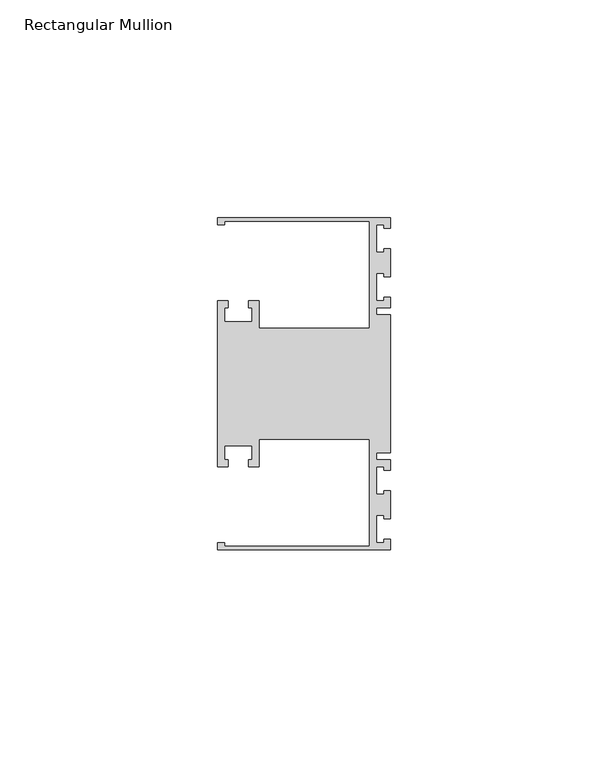
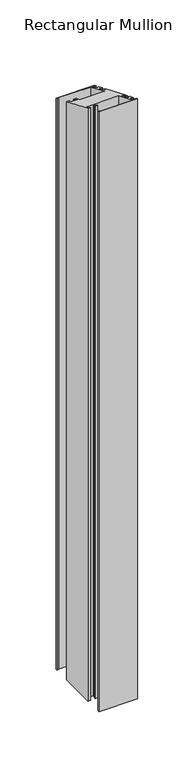
"""IFC4 building model written with IfcOpenShell, lengths in millimetres: member geometry, Rectangular Mullion."""

from ifc_helpers import new_model, si_unit, origin, place, context, project, spatial, faceted_brep, source, transform, mapped, element, save


def rectangular_mullion_9dc67ffa(model_context):
    return source(origin(), model_context, "Body", "Brep", [
        faceted_brep([(0.0, 38.1, -635.0), (0.0, 35.71875, -635.0), (-1.4999946, 35.71875, -635.0), (-1.4999946, 36.5125, -635.0), (-3.175, 36.5125, -635.0), (-3.175, 30.1625, -635.0), (-1.4999946, 30.1625, -635.0), (-1.4999946, 30.95625, -635.0), (0.0, 30.95625, -635.0), (0.0, 24.60625, -635.0), (-1.4999946, 24.60625, -635.0), (-1.4999946, 25.4, -635.0), (-3.175, 25.4, -635.0), (-3.175, 19.05, -635.0), (-1.4999946, 19.05, -635.0), (-1.4999946, 19.84375, -635.0), (0.0, 19.84375, -635.0), (0.0, 17.4625, -635.0), (-3.175, 17.4625, -635.0), (-3.175, 15.875, -635.0), (0.0, 15.875, -635.0), (0.0, -15.875, -635.0), (-3.175, -15.875, -635.0), (-3.175, -17.4625, -635.0), (0.0, -17.4625, -635.0), (0.0, -19.84375, -635.0), (-1.4999946, -19.84375, -635.0), (-1.4999946, -19.05, -635.0), (-3.175, -19.05, -635.0), (-3.175, -25.4, -635.0), (-1.4999946, -25.4, -635.0), (-1.4999946, -24.60625, -635.0), (0.0, -24.60625, -635.0), (0.0, -30.95625, -635.0), (-1.4999946, -30.95625, -635.0), (-1.4999946, -30.1625, -635.0), (-3.175, -30.1625, -635.0), (-3.175, -36.5125, -635.0), (-1.4999946, -36.5125, -635.0), (-1.4999946, -35.71875, -635.0), (0.0, -35.71875, -635.0), (0.0, -38.1, -635.0), (-39.6875, -38.1, -635.0), (-39.6875, -36.5125, -635.0), (-38.1, -36.5125, -635.0), (-38.1, -37.30625, -635.0), (-4.7625, -37.30625, -635.0), (-4.7625, -12.7, -635.0), (-30.1625, -12.7, -635.0), (-30.1625, -19.05, -635.0), (-32.54375, -19.05, -635.0), (-32.54375, -17.4625, -635.0), (-31.75, -17.4625, -635.0), (-31.75, -14.2875, -635.0), (-38.1, -14.2875, -635.0), (-38.1, -17.4625, -635.0), (-37.30625, -17.4625, -635.0), (-37.30625, -19.05, -635.0), (-39.6875, -19.05, -635.0), (-39.6875, 19.05, -635.0), (-37.30625, 19.05, -635.0), (-37.30625, 17.4625, -635.0), (-38.1, 17.4625, -635.0), (-38.1, 14.2875, -635.0), (-31.75, 14.2875, -635.0), (-31.75, 17.4625, -635.0), (-32.54375, 17.4625, -635.0), (-32.54375, 19.05, -635.0), (-30.1625, 19.05, -635.0), (-30.1625, 12.7, -635.0), (-4.7625, 12.7, -635.0), (-4.7625, 37.30625, -635.0), (-38.1, 37.30625, -635.0), (-38.1, 36.5125, -635.0), (-39.6875, 36.5125, -635.0), (-39.6875, 38.1, -635.0), (-39.6875, 38.1, -15.7815367), (0.0, 38.1, -15.7815367), (-39.6875, 36.5125, -15.1239727), (-38.1, 36.5125, -15.1239727), (-38.1, 37.30625, -15.4527547), (-4.7625, 37.30625, -15.4527547), (-4.7625, 12.7, -5.2605122), (-30.1625, 12.7, -5.2605122), (-30.1625, 19.05, -7.8907684), (-32.54375, 19.05, -7.8907684), (-32.54375, 17.4625, -7.2332043), (-31.75, 17.4625, -7.2332043), (-31.75, 14.2875, -5.9180763), (-38.1, 14.2875, -5.9180763), (-38.1, 17.4625, -7.2332043), (-37.30625, 17.4625, -7.2332043), (-37.30625, 19.05, -7.8907684), (-39.6875, 19.05, -7.8907684), (-39.6875, -19.05, 7.8907684), (-37.30625, -19.05, 7.8907684), (-37.30625, -17.4625, 7.2332043), (-38.1, -17.4625, 7.2332043), (-38.1, -14.2875, 5.9180763), (-31.75, -14.2875, 5.9180763), (-31.75, -17.4625, 7.2332043), (-32.54375, -17.4625, 7.2332043), (-32.54375, -19.05, 7.8907684), (-30.1625, -19.05, 7.8907684), (-30.1625, -12.7, 5.2605122), (-4.7625, -12.7, 5.2605122), (-4.7625, -37.30625, 15.4527547), (-38.1, -37.30625, 15.4527547), (-38.1, -36.5125, 15.1239727), (-39.6875, -36.5125, 15.1239727), (-39.6875, -38.1, 15.7815367), (0.0, -38.1, 15.7815367), (0.0, -35.71875, 14.7951907), (-1.4999946, -35.71875, 14.7951907), (-1.4999946, -36.5125, 15.1239727), (-3.175, -36.5125, 15.1239727), (-3.175, -30.1625, 12.4937166), (-1.4999946, -30.1625, 12.4937166), (-1.4999946, -30.95625, 12.8224986), (0.0, -30.95625, 12.8224986), (0.0, -24.60625, 10.1922425), (-1.4999946, -24.60625, 10.1922425), (-1.4999946, -25.4, 10.5210245), (-3.175, -25.4, 10.5210245), (-3.175, -19.05, 7.8907684), (-1.4999946, -19.05, 7.8907684), (-1.4999946, -19.84375, 8.2195504), (0.0, -19.84375, 8.2195504), (0.0, -17.4625, 7.2332043), (-3.175, -17.4625, 7.2332043), (-3.175, -15.875, 6.5756403), (0.0, -15.875, 6.5756403), (0.0, 15.875, -6.5756403), (-3.175, 15.875, -6.5756403), (-3.175, 17.4625, -7.2332043), (0.0, 17.4625, -7.2332043), (0.0, 19.84375, -8.2195504), (-1.4999946, 19.84375, -8.2195504), (-1.4999946, 19.05, -7.8907684), (-3.175, 19.05, -7.8907684), (-3.175, 25.4, -10.5210245), (-1.4999946, 25.4, -10.5210245), (-1.4999946, 24.60625, -10.1922425), (0.0, 24.60625, -10.1922425), (0.0, 30.95625, -12.8224986), (-1.4999946, 30.95625, -12.8224986), (-1.4999946, 30.1625, -12.4937166), (-3.175, 30.1625, -12.4937166), (-3.175, 36.5125, -15.1239727), (-1.4999946, 36.5125, -15.1239727), (-1.4999946, 35.71875, -14.7951907), (0.0, 35.71875, -14.7951907)], [[[0, 1, 2, 3, 4, 5, 6, 7, 8, 9, 10, 11, 12, 13, 14, 15, 16, 17, 18, 19, 20, 21, 22, 23, 24, 25, 26, 27, 28, 29, 30, 31, 32, 33, 34, 35, 36, 37, 38, 39, 40, 41, 42, 43, 44, 45, 46, 47, 48, 49, 50, 51, 52, 53, 54, 55, 56, 57, 58, 59, 60, 61, 62, 63, 64, 65, 66, 67, 68, 69, 70, 71, 72, 73, 74, 75]], [[76, 77, 0, 75]], [[78, 76, 75, 74]], [[79, 78, 74, 73]], [[80, 79, 73, 72]], [[81, 80, 72, 71]], [[82, 81, 71, 70]], [[83, 82, 70, 69]], [[84, 83, 69, 68]], [[85, 84, 68, 67]], [[86, 85, 67, 66]], [[87, 86, 66, 65]], [[88, 87, 65, 64]], [[89, 88, 64, 63]], [[90, 89, 63, 62]], [[91, 90, 62, 61]], [[92, 91, 61, 60]], [[93, 92, 60, 59]], [[94, 93, 59, 58]], [[95, 94, 58, 57]], [[96, 95, 57, 56]], [[97, 96, 56, 55]], [[98, 97, 55, 54]], [[99, 98, 54, 53]], [[100, 99, 53, 52]], [[101, 100, 52, 51]], [[102, 101, 51, 50]], [[103, 102, 50, 49]], [[104, 103, 49, 48]], [[105, 104, 48, 47]], [[106, 105, 47, 46]], [[107, 106, 46, 45]], [[108, 107, 45, 44]], [[109, 108, 44, 43]], [[110, 109, 43, 42]], [[111, 110, 42, 41]], [[112, 111, 41, 40]], [[113, 112, 40, 39]], [[114, 113, 39, 38]], [[115, 114, 38, 37]], [[116, 115, 37, 36]], [[117, 116, 36, 35]], [[118, 117, 35, 34]], [[119, 118, 34, 33]], [[120, 119, 33, 32]], [[121, 120, 32, 31]], [[122, 121, 31, 30]], [[123, 122, 30, 29]], [[124, 123, 29, 28]], [[125, 124, 28, 27]], [[126, 125, 27, 26]], [[127, 126, 26, 25]], [[128, 127, 25, 24]], [[129, 128, 24, 23]], [[130, 129, 23, 22]], [[131, 130, 22, 21]], [[132, 131, 21, 20]], [[133, 132, 20, 19]], [[134, 133, 19, 18]], [[135, 134, 18, 17]], [[136, 135, 17, 16]], [[137, 136, 16, 15]], [[138, 137, 15, 14]], [[139, 138, 14, 13]], [[140, 139, 13, 12]], [[141, 140, 12, 11]], [[142, 141, 11, 10]], [[143, 142, 10, 9]], [[144, 143, 9, 8]], [[145, 144, 8, 7]], [[146, 145, 7, 6]], [[147, 146, 6, 5]], [[148, 147, 5, 4]], [[149, 148, 4, 3]], [[150, 149, 3, 2]], [[151, 150, 2, 1]], [[77, 151, 1, 0]], [[77, 76, 78, 79, 80, 81, 82, 83, 84, 85, 86, 87, 88, 89, 90, 91, 92, 93, 94, 95, 96, 97, 98, 99, 100, 101, 102, 103, 104, 105, 106, 107, 108, 109, 110, 111, 112, 113, 114, 115, 116, 117, 118, 119, 120, 121, 122, 123, 124, 125, 126, 127, 128, 129, 130, 131, 132, 133, 134, 135, 136, 137, 138, 139, 140, 141, 142, 143, 144, 145, 146, 147, 148, 149, 150, 151]]]),
    ])


if __name__ == "__main__":
    model = new_model("IFC4")
    model_context = context("Model", 3, world=origin())
    ifc_project = project(units=[si_unit("LENGTHUNIT", "METRE", prefix="MILLI")], contexts=[model_context])
    site = spatial("IfcSite", under=ifc_project)
    building = spatial("IfcBuilding", under=site)
    placement = place(None, origin())
    rectangular_mullion_shape = rectangular_mullion_9dc67ffa(model_context)
    element("IfcMember", 1, ObjectType="Rectangular Mullion", at=placement, inside=building, context=model_context, shape_type="MappedRepresentation", body=[
        mapped(rectangular_mullion_shape, transform((0.0, 0.0, 0.0), x_axis=(1.0, 0.0, 0.0), y_axis=(0.0, 1.0, 0.0), z_axis=(0.0, 0.0, 1.0))),
    ])
    save(model, "model.ifc")
